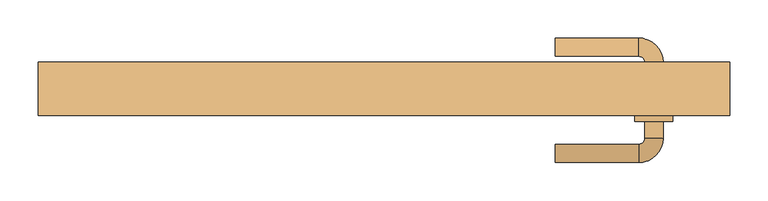
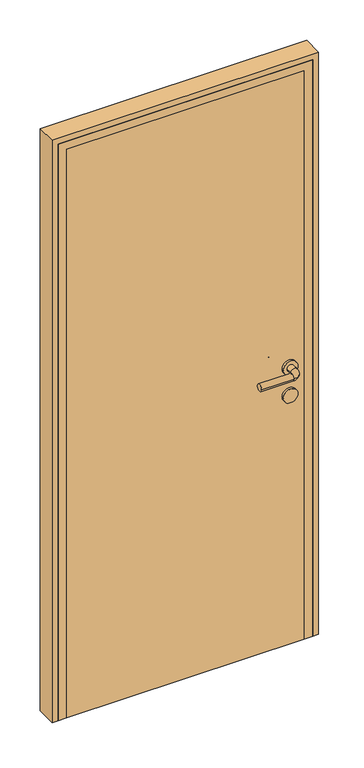
"""IFC4 building model written with IfcOpenShell, lengths in millimetres: door geometry."""

import ifcopenshell
import ifcopenshell.guid

model = None  # the IFC model being written
_history = None  # IfcOwnerHistory: only IFC2X3 demands one
_inside = {}  # id of a spatial element -> (the spatial element, [elements in it])
_under = {}  # id of a project, library or spatial element -> (it, [spatial elements below it])
_declared = {}  # id of a project -> (the project, [libraries it declares])
_typed = {}  # id of a type object -> (the type object, [elements of that type])
_made_of = {}  # id of a material, layer set ... -> (it, [elements and type objects made of it])


def new_model(schema):
    """Start an empty IFC model of exactly this schema.

    Asked for "IFC4X3", IfcOpenShell would pick the latest addendum, in which some entities
    have other attributes; the version numbers below select the first issue.
    IFC2X3 requires an IfcOwnerHistory on every rooted entity: one is made here for all.
    """
    global model, _history
    if schema == "IFC4X3":
        model = ifcopenshell.file(schema_version=(4, 3, 0, 0))
    else:
        model = ifcopenshell.file(schema=schema)
    _inside.clear()
    _under.clear()
    _declared.clear()
    _typed.clear()
    _made_of.clear()
    _history = None
    if model.schema == "IFC2X3":
        org = make("IfcOrganization", Name="unknown")
        user = make(
            "IfcPersonAndOrganization",
            ThePerson=make("IfcPerson", FamilyName="unknown"),
            TheOrganization=org,
        )
        app = make(
            "IfcApplication",
            ApplicationDeveloper=org,
            Version="unknown",
            ApplicationFullName="unknown",
            ApplicationIdentifier="unknown",
        )
        _history = make(
            "IfcOwnerHistory",
            OwningUser=user,
            OwningApplication=app,
            ChangeAction="ADDED",
            CreationDate=0,
        )
    return model


def make(cls, **values):
    """One entity of the class cls with the attributes given. An attribute that is None is left unset."""
    return model.create_entity(
        cls, **{name: value for name, value in values.items() if value is not None}
    )


def rooted(cls, **values):
    """An entity with a GlobalId (a new one), such as an element, a storey or a relation."""
    return make(cls, GlobalId=ifcopenshell.guid.new(), OwnerHistory=_history, **values)


def si_unit(unit_type, name, prefix=None):
    """IfcSIUnit, for example si_unit("LENGTHUNIT", "METRE", prefix="MILLI")."""
    return make("IfcSIUnit", UnitType=unit_type, Prefix=prefix, Name=name)


def assignment(units):
    """IfcUnitAssignment: the units of a project."""
    return None if units is None else make("IfcUnitAssignment", Units=units)


def point(xyz):
    """IfcCartesianPoint."""
    return None if xyz is None else make("IfcCartesianPoint", Coordinates=xyz)


def direction(xyz):
    """IfcDirection."""
    return None if xyz is None else make("IfcDirection", DirectionRatios=xyz)


def frame(location, z_axis=None, x_axis=None):
    """IfcAxis2Placement3D, a coordinate frame: its origin and axes. An axis left out is left unset."""
    return make(
        "IfcAxis2Placement3D",
        Location=point(location),
        Axis=direction(z_axis),
        RefDirection=direction(x_axis),
    )


def frame_2d(location, x_axis=None):
    """IfcAxis2Placement2D, a coordinate frame in the plane: its origin and x axis."""
    return make(
        "IfcAxis2Placement2D", Location=point(location), RefDirection=direction(x_axis)
    )


def origin():
    """The frame at (0, 0, 0) with its axes left unset."""
    return frame((0.0, 0.0, 0.0))


def origin_with_axes():
    """The frame at (0, 0, 0) with the z axis (0, 0, 1) and the x axis (1, 0, 0) written out."""
    return frame((0.0, 0.0, 0.0), z_axis=(0.0, 0.0, 1.0), x_axis=(1.0, 0.0, 0.0))


def place(relative_to, where):
    """IfcLocalPlacement: puts the frame where relative to a parent placement (None: the world)."""
    return make(
        "IfcLocalPlacement", PlacementRelTo=relative_to, RelativePlacement=where
    )


def context(
    kind, dimensions, precision=None, world=None, true_north=None, identifier=None
):
    """IfcGeometricRepresentationContext, for example the 3D "Model" context."""
    return make(
        "IfcGeometricRepresentationContext",
        ContextIdentifier=identifier,
        ContextType=kind,
        CoordinateSpaceDimension=dimensions,
        Precision=precision,
        WorldCoordinateSystem=world,
        TrueNorth=true_north,
    )


def project(units=None, contexts=None):
    """IfcProject with its units and contexts."""
    return rooted(
        "IfcProject",
        Name="project",
        RepresentationContexts=contexts,
        UnitsInContext=assignment(units),
    )


def spatial(cls, under=None, at=None, **own):
    """A site, building, storey or space (cls), placed at a placement, below another one or the project."""
    s = rooted(cls, ObjectPlacement=at, **own)
    if under is not None:
        _under.setdefault(under.id(), (under, []))[1].append(s)
    return s


def polyline(points):
    """IfcPolyline through the points."""
    return make("IfcPolyline", Points=[point(p) for p in points])


def circle_curve(where, radius):
    """IfcCircle in the frame where."""
    return make("IfcCircle", Position=where, Radius=radius)


def ellipse_curve(where, semi_axis1, semi_axis2):
    """IfcEllipse in the frame where."""
    return make(
        "IfcEllipse", Position=where, SemiAxis1=semi_axis1, SemiAxis2=semi_axis2
    )


def trimmed(basis, trim1, trim2, sense, master):
    """IfcTrimmedCurve: the piece of a basis curve between two trims."""
    return make(
        "IfcTrimmedCurve",
        BasisCurve=basis,
        Trim1=trim1,
        Trim2=trim2,
        SenseAgreement=sense,
        MasterRepresentation=master,
    )


def segment(curve, same_sense, transition):
    """IfcCompositeCurveSegment."""
    return make(
        "IfcCompositeCurveSegment",
        Transition=transition,
        SameSense=same_sense,
        ParentCurve=curve,
    )


def composite_curve(segments, self_intersect=None):
    """IfcCompositeCurve: segments joined end to end."""
    return make("IfcCompositeCurve", Segments=segments, SelfIntersect=self_intersect)


def outline(outer, holes=None, kind="AREA"):
    """IfcArbitraryClosedProfileDef: a profile drawn as a closed curve; with holes, ...WithVoids."""
    if holes is None:
        return make("IfcArbitraryClosedProfileDef", ProfileType=kind, OuterCurve=outer)
    return make(
        "IfcArbitraryProfileDefWithVoids",
        ProfileType=kind,
        OuterCurve=outer,
        InnerCurves=holes,
    )


def extrude(swept, where, along, depth):
    """IfcExtrudedAreaSolid: the profile swept, set in the frame where, extruded along a direction by depth."""
    return make(
        "IfcExtrudedAreaSolid",
        SweptArea=swept,
        Position=where,
        ExtrudedDirection=direction(along),
        Depth=depth,
    )


def faces_of(points, faces, orient=None, outer=None):
    """IfcFace entities. A face is a list of loops; a loop is a list of indices into points, from 0.

    orient and outer hold one flag for each loop. By default every Orientation is true, the
    first loop of a face is its IfcFaceOuterBound and the others are IfcFaceBound.
    """
    made = []
    for i, loops in enumerate(faces):
        bounds = []
        for j, loop in enumerate(loops):
            is_outer = j == 0 if outer is None else outer[i][j]
            bounds.append(
                make(
                    "IfcFaceOuterBound" if is_outer else "IfcFaceBound",
                    Bound=make("IfcPolyLoop", Polygon=[points[k] for k in loop]),
                    Orientation=True if orient is None else orient[i][j],
                )
            )
        made.append(make("IfcFace", Bounds=bounds))
    return made


def faceted_brep(points, faces, orient=None, outer=None, voids=None):
    """IfcFacetedBrep: a solid bounded by flat faces; with voids (closed shells), ...WithVoids."""
    shared = [point(p) for p in points]
    hull = make("IfcClosedShell", CfsFaces=faces_of(shared, faces, orient, outer))
    if voids is None:
        return make("IfcFacetedBrep", Outer=hull)
    return make(
        "IfcFacetedBrepWithVoids",
        Outer=hull,
        Voids=[
            make(cls, CfsFaces=faces_of(shared, fs, o, b)) for cls, fs, o, b in voids
        ],
    )


def shape(context_of_items, identifier, shape_type, items):
    """IfcShapeRepresentation: the items that make up one representation, for example the "Body"."""
    return make(
        "IfcShapeRepresentation",
        ContextOfItems=context_of_items,
        RepresentationIdentifier=identifier,
        RepresentationType=shape_type,
        Items=items,
    )


def source(mapping_origin, context_of_items, identifier, shape_type, items):
    """IfcRepresentationMap: a shape defined once, which mapped items show again and again."""
    return make(
        "IfcRepresentationMap",
        MappingOrigin=mapping_origin,
        MappedRepresentation=shape(context_of_items, identifier, shape_type, items),
    )


def transform(
    local_origin,
    x_axis=None,
    y_axis=None,
    z_axis=None,
    scale=None,
    scale2=None,
    scale3=None,
    uniform=True,
):
    """IfcCartesianTransformationOperator3D, or its non-uniform kind. x_axis, y_axis, z_axis: its Axis1, 2, 3."""
    if uniform:
        return make(
            "IfcCartesianTransformationOperator3D",
            Axis1=direction(x_axis),
            Axis2=direction(y_axis),
            LocalOrigin=point(local_origin),
            Scale=scale,
            Axis3=direction(z_axis),
        )
    return make(
        "IfcCartesianTransformationOperator3DnonUniform",
        Axis1=direction(x_axis),
        Axis2=direction(y_axis),
        LocalOrigin=point(local_origin),
        Scale=scale,
        Axis3=direction(z_axis),
        Scale2=scale2,
        Scale3=scale3,
    )


def mapped(mapping_source, mapping_target):
    """IfcMappedItem: shows the shape of a source again, moved by a transform."""
    return make(
        "IfcMappedItem", MappingSource=mapping_source, MappingTarget=mapping_target
    )


def made_of(thing, what):
    """Note that an element or type object is made of a material, layer set ...; save() writes the relation."""
    if what is not None:
        _made_of.setdefault(what.id(), (what, []))[1].append(thing)
    return thing


def element(
    cls,
    number,
    at=None,
    inside=None,
    cuts=None,
    type_object=None,
    material=None,
    context=None,
    identifier="Body",
    shape_type=None,
    held_by="IfcProductDefinitionShape",
    body=None,
    shapes=None,
    **own,
):
    """One element of the class cls, such as IfcWall. Its Tag is "e" and its number.

    at: its placement. inside: the storey or other place that contains it. cuts: it is an
    opening in that element (IfcRelVoidsElement). A single representation is given by context,
    identifier, shape_type and body (its items); several are given by shapes. held_by: the class
    of the entity that holds the representations. save() writes the other relations.
    """
    e = rooted(cls, Tag="e%d" % number, ObjectPlacement=at, **own)
    if body is not None:
        shapes = [shape(context, identifier, shape_type, body)]
    if shapes is not None:
        e.Representation = make(held_by, Representations=shapes)
    if inside is not None:
        _inside.setdefault(inside.id(), (inside, []))[1].append(e)
    if cuts is not None:
        rooted(
            "IfcRelVoidsElement", RelatingBuildingElement=cuts, RelatedOpeningElement=e
        )
    if type_object is not None:
        _typed.setdefault(type_object.id(), (type_object, []))[1].append(e)
    return made_of(e, material)


def aggregate(whole, parts):
    """IfcRelAggregates: a whole, such as a stair, and the parts it consists of."""
    return rooted("IfcRelAggregates", RelatingObject=whole, RelatedObjects=parts)


def save(model, path):
    """Write the relations noted so far, then the file.

    IfcRelAggregates (storeys below a building ...), IfcRelContainedInSpatialStructure (elements
    in a storey), IfcRelDefinesByType, IfcRelAssociatesMaterial and IfcRelDeclares: one each for
    every whole, place, type object, material and project.
    """
    for whole, parts in _under.values():
        aggregate(whole, parts)
    for where, things in _inside.values():
        rooted(
            "IfcRelContainedInSpatialStructure",
            RelatedElements=things,
            RelatingStructure=where,
        )
    for kind, things in _typed.values():
        rooted("IfcRelDefinesByType", RelatedObjects=things, RelatingType=kind)
    for what, things in _made_of.values():
        rooted("IfcRelAssociatesMaterial", RelatedObjects=things, RelatingMaterial=what)
    for by, libraries in _declared.values():
        rooted("IfcRelDeclares", RelatingContext=by, RelatedDefinitions=libraries)
    model.write(path)


def plane_surface(at):
    """IfcPlane: the flat surface through the origin of the frame at, square to its z axis."""
    return make("IfcPlane", Position=at)


def cylinder_surface(at, radius):
    """IfcCylindricalSurface: all points at the distance radius from the z axis of the frame at."""
    return make("IfcCylindricalSurface", Position=at, Radius=radius)


def revolved_surface(curve, axis_point, axis_direction):
    """IfcSurfaceOfRevolution: the curve turned about the line through axis_point along axis_direction."""
    return make(
        "IfcSurfaceOfRevolution",
        SweptCurve=make("IfcArbitraryOpenProfileDef", ProfileType="CURVE", Curve=curve),
        AxisPosition=make("IfcAxis1Placement", Location=point(axis_point), Axis=direction(axis_direction)),
    )


def advanced_brep(points, edges, surfaces, faces):
    """IfcAdvancedBrep: a solid bounded by faces that lie on surfaces and meet in shared edges.

    An edge is (start, end): straight between two places in points (the first is 0);
    or (start, end, curve); or (start, end, curve, False) where it runs against its curve.
    A face is (place in surfaces, loops), or (place, loops, False) where it looks against
    its surface's normal. A loop lists edges by number (the first is 1), with a minus sign
    where the edge is run from its end to its start. The first loop is the outer one.
    """
    corners = [point(p) for p in points]
    vertices = [make("IfcVertexPoint", VertexGeometry=c) for c in corners]
    made = []
    for start, end, *more in edges:
        made.append(
            make(
                "IfcEdgeCurve",
                EdgeStart=vertices[start],
                EdgeEnd=vertices[end],
                EdgeGeometry=more[0] if more else make("IfcPolyline", Points=[corners[start], corners[end]]),
                SameSense=more[1] if len(more) > 1 else True,
            )
        )
    hull = []
    for where, loops, *sense in faces:
        bounds = []
        for j, loop in enumerate(loops):
            ring = [make("IfcOrientedEdge", EdgeElement=made[abs(k) - 1], Orientation=k > 0) for k in loop]
            bounds.append(
                make(
                    "IfcFaceOuterBound" if j == 0 else "IfcFaceBound",
                    Bound=make("IfcEdgeLoop", EdgeList=ring),
                    Orientation=True,
                )
            )
        hull.append(make("IfcAdvancedFace", Bounds=bounds, FaceSurface=surfaces[where], SameSense=sense[0] if sense else True))
    return make("IfcAdvancedBrep", Outer=make("IfcClosedShell", CfsFaces=hull))


def door_0252e806(model_context):
    return source(origin(), model_context, "Body", "SolidModel", [
        advanced_brep(
        [(225.0, -122.0, 1000.0), (225.0, -98.0, 1000.0), (335.0, -122.0, 1000.0), (335.0, -98.0, 1000.0), (367.0, -90.0, 1000.0), (343.0, -90.0, 1000.0), (367.0, -68.0, 1000.0), (343.0, -68.0, 1000.0), (367.0, 10.0, 1000.0), (343.0, 10.0, 1000.0), (343.0, -12.0, 1000.0), (367.0, -12.0, 1000.0), (335.0, 42.0, 1000.0), (335.0, 18.0, 1000.0), (225.0, 42.0, 1000.0), (225.0, 18.0, 1000.0), (330.0, -12.0, 1000.0), (380.0, -12.0, 1000.0), (330.0, -68.0, 1000.0), (380.0, -68.0, 1000.0)],
        [
            (0, 1, circle_curve(frame((225.0, -110.0, 1000.0), z_axis=(-1.0, 0.0, 0.0), x_axis=(0.0, 1.0, 0.0)), 12.0)),
            (1, 0, circle_curve(frame((225.0, -110.0, 1000.0), z_axis=(-1.0, 0.0, 0.0), x_axis=(0.0, 1.0, 0.0)), 12.0)),
            (0, 2),
            (2, 3, circle_curve(frame((335.0, -110.0, 1000.0), z_axis=(-1.0, 0.0, 0.0), x_axis=(0.0, 1.0, 0.0)), 12.0)),
            (3, 1),
            (3, 2, circle_curve(frame((335.0, -110.0, 1000.0), z_axis=(-1.0, 0.0, 0.0), x_axis=(0.0, 1.0, 0.0)), 12.0)),
            (2, 4, circle_curve(frame((335.0, -90.0, 1000.0), z_axis=(0.0, 0.0, 1.0), x_axis=(0.0, -1.0, 0.0)), 32.0)),
            (4, 5, circle_curve(frame((355.0, -90.0, 1000.0), z_axis=(0.0, -1.0, 0.0), x_axis=(-1.0, 0.0, 0.0)), 12.0)),
            (5, 3, circle_curve(frame((335.0, -90.0, 1000.0), z_axis=(0.0, 0.0, -1.0), x_axis=(0.0, -1.0, 0.0)), 8.0)),
            (5, 4, circle_curve(frame((355.0, -90.0, 1000.0), z_axis=(0.0, -1.0, 0.0), x_axis=(-1.0, 0.0, 0.0)), 12.0)),
            (4, 6),
            (6, 7, circle_curve(frame((355.0, -68.0, 1000.0), z_axis=(0.0, -1.0, 0.0), x_axis=(-1.0, 0.0, 0.0)), 12.0)),
            (7, 5),
            (8, 9, circle_curve(frame((355.0, 10.0, 1000.0), z_axis=(0.0, -1.0, 0.0), x_axis=(-1.0, 0.0, 0.0)), 12.0)),
            (9, 10),
            (10, 11, circle_curve(frame((355.0, -12.0, 1000.0), z_axis=(0.0, 1.0, 0.0), x_axis=(-1.0, 0.0, 0.0)), 12.0)),
            (11, 8),
            (7, 6, circle_curve(frame((355.0, -68.0, 1000.0), z_axis=(0.0, -1.0, 0.0), x_axis=(-1.0, 0.0, 0.0)), 12.0)),
            (9, 8, circle_curve(frame((355.0, 10.0, 1000.0), z_axis=(0.0, -1.0, 0.0), x_axis=(-1.0, 0.0, 0.0)), 12.0)),
            (11, 10, circle_curve(frame((355.0, -12.0, 1000.0), z_axis=(0.0, 1.0, 0.0), x_axis=(-1.0, 0.0, 0.0)), 12.0)),
            (8, 12, circle_curve(frame((335.0, 10.0, 1000.0), z_axis=(0.0, 0.0, 1.0), x_axis=(1.0, 0.0, 0.0)), 32.0)),
            (12, 13, circle_curve(frame((335.0, 30.0, 1000.0), z_axis=(1.0, 0.0, 0.0), x_axis=(0.0, -1.0, 0.0)), 12.0)),
            (13, 9, circle_curve(frame((335.0, 10.0, 1000.0), z_axis=(0.0, 0.0, -1.0), x_axis=(1.0, 0.0, 0.0)), 8.0)),
            (13, 12, circle_curve(frame((335.0, 30.0, 1000.0), z_axis=(1.0, 0.0, 0.0), x_axis=(0.0, -1.0, 0.0)), 12.0)),
            (14, 15, circle_curve(frame((225.0, 30.0, 1000.0), z_axis=(-1.0, 0.0, 0.0), x_axis=(0.0, -1.0, 0.0)), 12.0)),
            (15, 14, circle_curve(frame((225.0, 30.0, 1000.0), z_axis=(-1.0, 0.0, 0.0), x_axis=(0.0, -1.0, 0.0)), 12.0)),
            (12, 14),
            (15, 13),
            (16, 17, circle_curve(frame((355.0, -12.0, 1000.0), z_axis=(0.0, 1.0, 0.0), x_axis=(1.0, 0.0, 0.0)), 25.0)),
            (17, 16, circle_curve(frame((355.0, -12.0, 1000.0), z_axis=(0.0, 1.0, 0.0), x_axis=(1.0, 0.0, 0.0)), 25.0)),
            (18, 19, circle_curve(frame((355.0, -68.0, 1000.0), z_axis=(0.0, -1.0, 0.0), x_axis=(1.0, 0.0, 0.0)), 25.0)),
            (19, 18, circle_curve(frame((355.0, -68.0, 1000.0), z_axis=(0.0, -1.0, 0.0), x_axis=(1.0, 0.0, 0.0)), 25.0)),
            (16, 18),
            (19, 17),
        ],
        [
            plane_surface(frame((225.0, -110.0, 1000.0), z_axis=(-1.0, 0.0, 0.0), x_axis=(0.0, 0.0, 1.0))),
            cylinder_surface(frame((225.0, -110.0, 1000.0), z_axis=(-1.0, 0.0, 0.0), x_axis=(0.0, 1.0, 0.0)), 12.0),
            revolved_surface(trimmed(ellipse_curve(frame((335.0, -110.0, 1000.0), z_axis=(-1.0, 0.0, 0.0), x_axis=(0.0, 1.0, 0.0)), 12.0, 12.0), [point((335.0, -122.0, 1000.0))], [point((335.0, -98.0, 1000.0))], True, "CARTESIAN"), (335.0, -90.0, 1000.0), (0.0, 0.0, 1.0)),
            revolved_surface(trimmed(ellipse_curve(frame((335.0, -110.0, 1000.0), z_axis=(-1.0, 0.0, 0.0), x_axis=(0.0, 1.0, 0.0)), 12.0, 12.0), [point((335.0, -98.0, 1000.0))], [point((335.0, -122.0, 1000.0))], True, "CARTESIAN"), (335.0, -90.0, 1000.0), (0.0, 0.0, 1.0)),
            cylinder_surface(frame((355.0, -90.0, 1000.0), z_axis=(0.0, -1.0, 0.0), x_axis=(-1.0, 0.0, 0.0)), 12.0),
            revolved_surface(trimmed(ellipse_curve(frame((355.0, 10.0, 1000.0), z_axis=(0.0, -1.0, 0.0), x_axis=(-1.0, 0.0, 0.0)), 12.0, 12.0), [point((367.0, 10.0, 1000.0))], [point((343.0, 10.0, 1000.0))], True, "CARTESIAN"), (335.0, 10.0, 1000.0), (0.0, 0.0, 1.0)),
            revolved_surface(trimmed(ellipse_curve(frame((355.0, 10.0, 1000.0), z_axis=(0.0, -1.0, 0.0), x_axis=(-1.0, 0.0, 0.0)), 12.0, 12.0), [point((343.0, 10.0, 1000.0))], [point((367.0, 10.0, 1000.0))], True, "CARTESIAN"), (335.0, 10.0, 1000.0), (0.0, 0.0, 1.0)),
            plane_surface(frame((225.0, 30.0, 1000.0), z_axis=(-1.0, 0.0, 0.0), x_axis=(0.0, 0.0, 1.0))),
            cylinder_surface(frame((335.0, 30.0, 1000.0), z_axis=(1.0, 0.0, 0.0), x_axis=(0.0, -1.0, 0.0)), 12.0),
            plane_surface(frame((380.0, -12.0, 1000.0), z_axis=(0.0, 1.0, 0.0), x_axis=(0.0, 0.0, -1.0))),
            plane_surface(frame((380.0, -68.0, 1000.0), z_axis=(0.0, -1.0, 0.0), x_axis=(0.0, 0.0, 1.0))),
            cylinder_surface(frame((355.0, -12.0, 1000.0), z_axis=(0.0, -1.0, 0.0), x_axis=(1.0, 0.0, 0.0)), 25.0),
        ],
        [
            (0, [[1, 2]]),
            (1, [[-1, 3, 4, 5]]),
            (1, [[-2, -5, 6, -3]]),
            (2, [[-4, 7, 8, 9]]),
            (3, [[-6, -9, 10, -7]]),
            (4, [[-8, 11, 12, 13]]),
            (4, [[14, 15, 16, 17]]),
            (4, [[-10, -13, 18, -11]]),
            (4, [[19, -17, 20, -15]]),
            (5, [[-14, 21, 22, 23]]),
            (6, [[-19, -23, 24, -21]]),
            (7, [[25, 26]]),
            (8, [[-22, 27, -26, 28]]),
            (8, [[-24, -28, -25, -27]]),
            (9, [[29, 30], [-16, -20]]),
            (10, [[31, 32], [-12, -18]]),
            (11, [[-29, 33, -32, 34]]),
            (11, [[-30, -34, -31, -33]]),
        ],
    ),
        extrude(outline(composite_curve([segment(trimmed(circle_curve(frame_2d((900.0, 355.0)), 25.0), [point((900.0, 330.0))], [point((900.0, 380.0))], False, "CARTESIAN"), True, "CONTINUOUS"), segment(trimmed(circle_curve(frame_2d((900.0, 355.0)), 25.0), [point((900.0, 380.0))], [point((900.0, 330.0))], False, "CARTESIAN"), True, "CONTINUOUS")], self_intersect=False)), frame((0.0, -68.0, 0.0), z_axis=(0.0, 1.0, 0.0), x_axis=(0.0, 0.0, 1.0)), (0.0, 0.0, 1.0), 56.0),
        extrude(outline(polyline([(405.0, -20.0), (405.0, -60.0), (-405.0, -60.0), (-405.0, -20.0), (405.0, -20.0)])), origin_with_axes(), (0.0, 0.0, 1.0), 2050.0),
        extrude(outline(polyline([(0.0, 455.0), (2100.0, 455.0), (2100.0, -455.0), (0.0, -455.0), (0.0, -435.0), (2080.0, -435.0), (2080.0, 435.0), (0.0, 435.0), (0.0, 455.0)])), frame((0.0, -60.0, 0.0), z_axis=(0.0, 1.0, 0.0), x_axis=(0.0, 0.0, 1.0)), (0.0, 0.0, 1.0), 70.0),
        faceted_brep([(-435.0, 10.0, 0.0), (-395.0, 10.0, 0.0), (-395.0, -20.0, 0.0), (-405.0, -20.0, 0.0), (-405.0, -60.0, 0.0), (-435.0, -60.0, 0.0), (-435.0, -60.0, 2080.0), (-435.0, 10.0, 2080.0), (-405.0, -60.0, 2050.0), (405.0, -60.0, 2050.0), (405.0, -60.0, 0.0), (435.0, -60.0, 0.0), (435.0, -60.0, 2080.0), (-405.0, -20.0, 2050.0), (-395.0, -20.0, 2040.0), (395.0, -20.0, 2040.0), (395.0, -20.0, 0.0), (405.0, -20.0, 0.0), (405.0, -20.0, 2050.0), (-395.0, 10.0, 2040.0), (435.0, 10.0, 2080.0), (435.0, 10.0, 0.0), (395.0, 10.0, 0.0), (395.0, 10.0, 2040.0)], [[[0, 1, 2, 3, 4, 5]], [[5, 6, 7, 0]], [[4, 8, 9, 10, 11, 12, 6, 5]], [[3, 13, 8, 4]], [[2, 14, 15, 16, 17, 18, 13, 3]], [[1, 19, 14, 2]], [[0, 7, 20, 21, 22, 23, 19, 1]], [[6, 12, 20, 7]], [[13, 18, 9, 8]], [[19, 23, 15, 14]], [[21, 11, 10, 17, 16, 22]], [[12, 11, 21, 20]], [[18, 17, 10, 9]], [[23, 22, 16, 15]]]),
    ])


if __name__ == "__main__":
    model = new_model("IFC4")
    model_context = context("Model", 3, world=origin())
    ifc_project = project(units=[si_unit("LENGTHUNIT", "METRE", prefix="MILLI")], contexts=[model_context])
    site = spatial("IfcSite", under=ifc_project)
    building = spatial("IfcBuilding", under=site)
    placement = place(None, origin())
    door_shape = door_0252e806(model_context)
    element("IfcDoor", 1, at=placement, inside=building, context=model_context, shape_type="MappedRepresentation", body=[
        mapped(door_shape, transform((0.0, 0.0, 0.0), x_axis=(1.0, 0.0, 0.0), y_axis=(0.0, 1.0, 0.0), z_axis=(0.0, 0.0, 1.0))),
    ])
    save(model, "model.ifc")
